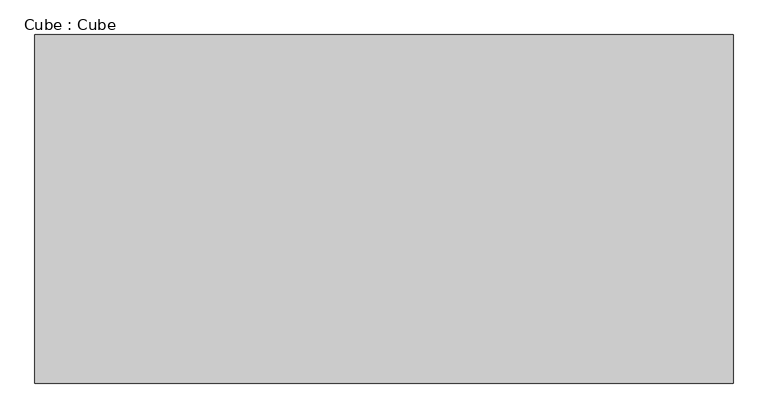
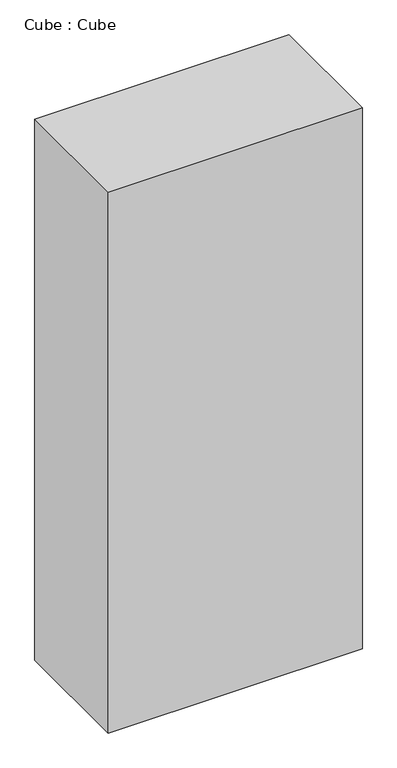
"""IFC4 building model written with IfcOpenShell, lengths in millimetres: proxy geometry, Cube : Cube."""

from ifc_helpers import new_model, si_unit, origin, origin_with_axes, place, context, project, spatial, polyline, outline, extrude, source, transform, mapped, element, save


def cube_cube_e630098d(model_context):
    return source(origin(), model_context, "Body", "SweptSolid", [
        extrude(outline(polyline([(2000.25, 1000.0625), (2000.25, -1000.0625), (-2000.25, -1000.0625), (-2000.25, 1000.0625), (2000.25, 1000.0625)])), origin_with_axes(), (0.0, 0.0, 1.0), 9000.0),
    ])


if __name__ == "__main__":
    model = new_model("IFC4")
    model_context = context("Model", 3, world=origin())
    ifc_project = project(units=[si_unit("LENGTHUNIT", "METRE", prefix="MILLI")], contexts=[model_context])
    site = spatial("IfcSite", under=ifc_project)
    building = spatial("IfcBuilding", under=site)
    placement = place(None, origin())
    cube_cube_shape = cube_cube_e630098d(model_context)
    element("IfcBuildingElementProxy", 1, Name="Cube : Cube", ObjectType="Cube : Cube", at=placement, inside=building, context=model_context, shape_type="MappedRepresentation", body=[
        mapped(cube_cube_shape, transform((0.0, 0.0, 0.0), x_axis=(1.0, 0.0, 0.0), y_axis=(0.0, 1.0, 0.0), z_axis=(0.0, 0.0, 1.0))),
    ])
    save(model, "model.ifc")
